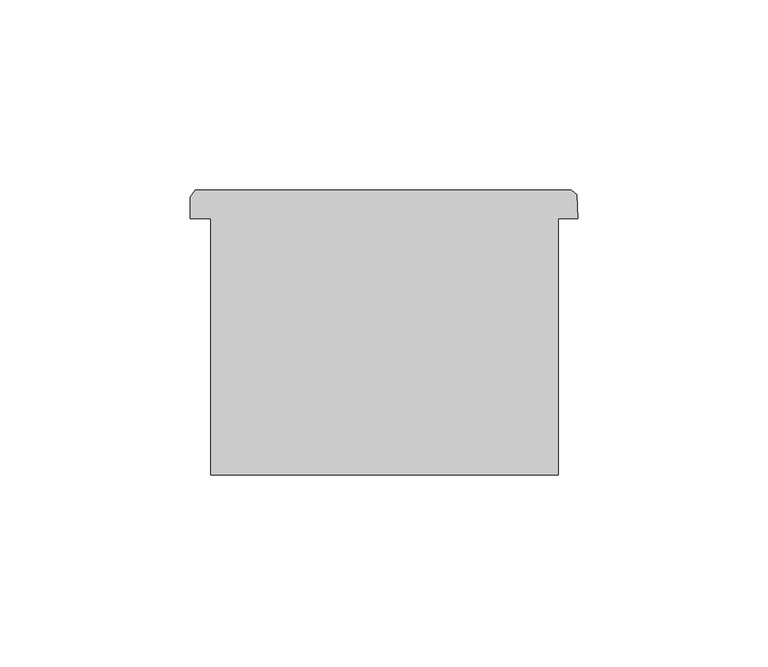
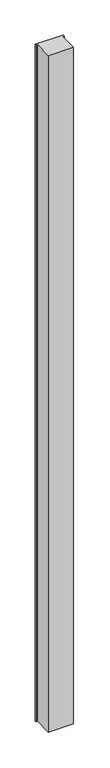
"""IFC4 building model written with IfcOpenShell, lengths in millimetres: column geometry."""

from ifc_helpers import new_model, si_unit, frame, origin, place, context, project, spatial, polyline, outline, extrude, source, transform, mapped, element, save


def column_15c51ebb(model_context):
    return source(origin(), model_context, "Body", "SweptSolid", [
        extrude(outline(polyline([(51869.5843226, -39342.398582), (51864.493172, -39342.398582), (51864.493172, -39409.6844012), (51773.2832198, -39409.6844012), (51773.2832198, -39342.398582), (51767.9843226, -39342.398582), (51767.9843226, -39336.7028098), (51769.2183562, -39334.932379), (51867.9410188, -39334.932379), (51869.4293064, -39336.011371), (51869.5843226, -39342.398582)])), frame((0.0, 0.0, 4419.601524), z_axis=(0.0, 0.0, 1.0), x_axis=(1.0, 0.0, 0.0)), (0.0, 0.0, 1.0), 2590.8000568),
        extrude(outline(polyline([(51869.5843226, -39342.398582), (51864.493172, -39342.398582), (51864.493172, -39409.6844012), (51773.2832198, -39409.6844012), (51773.2832198, -39342.398582), (51767.9843226, -39342.398582), (51767.9843226, -39336.7028098), (51769.2183562, -39334.932379), (51867.9410188, -39334.932379), (51869.4293064, -39336.011371), (51869.5843226, -39342.398582)])), frame((0.0, 0.0, 4419.601524), z_axis=(0.0, 0.0, 1.0), x_axis=(1.0, 0.0, 0.0)), (0.0, 0.0, 1.0), 2590.8000568),
    ])


if __name__ == "__main__":
    model = new_model("IFC4")
    model_context = context("Model", 3, world=origin())
    ifc_project = project(units=[si_unit("LENGTHUNIT", "METRE", prefix="MILLI")], contexts=[model_context])
    site = spatial("IfcSite", under=ifc_project)
    building = spatial("IfcBuilding", under=site)
    placement = place(None, origin())
    column_shape = column_15c51ebb(model_context)
    element("IfcColumn", 1, at=placement, inside=building, context=model_context, shape_type="MappedRepresentation", body=[
        mapped(column_shape, transform((0.0, 0.0, 0.0), x_axis=(1.0, 0.0, 0.0), y_axis=(0.0, 1.0, 0.0), z_axis=(0.0, 0.0, 1.0))),
    ])
    save(model, "model.ifc")
